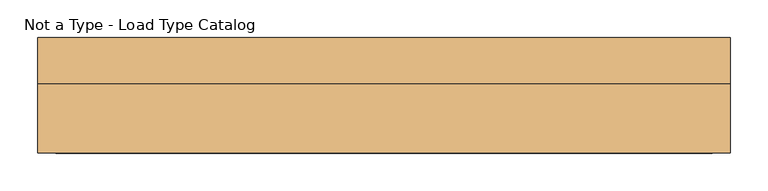
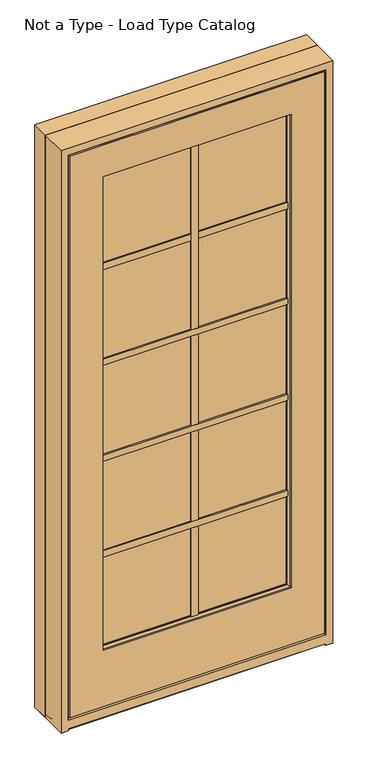
"""IFC4 building model written with IfcOpenShell, lengths in millimetres: door geometry, Not a Type - Load Type Catalog."""

from ifc_helpers import new_model, si_unit, frame, origin, place, context, project, spatial, polyline, outline, extrude, faceted_brep, source, transform, mapped, element, save


def not_a_type_load_type_catalog_02fb778c(model_context):
    return source(origin(), model_context, "Body", "SolidModel", [
        extrude(outline(polyline([(322.2625, -38.4444983), (322.2625, -55.3116858), (-322.2625, -55.3116858), (-322.2625, -38.4444983), (322.2625, -38.4444983)])), frame((0.0, 0.0, 912.1711557), z_axis=(0.0, 0.0, 1.0), x_axis=(1.0, 0.0, 0.0)), (0.0, 0.0, 1.0), 9.525),
        extrude(outline(polyline([(322.2625, -38.4444983), (322.2625, -55.3116858), (-322.2625, -55.3116858), (-322.2625, -38.4444983), (322.2625, -38.4444983)])), frame((0.0, 0.0, 1253.1661557), z_axis=(0.0, 0.0, 1.0), x_axis=(1.0, 0.0, 0.0)), (0.0, 0.0, 1.0), 9.525),
        extrude(outline(polyline([(322.2625, -38.4444983), (322.2625, -55.3116858), (-322.2625, -55.3116858), (-322.2625, -38.4444983), (322.2625, -38.4444983)])), frame((0.0, 0.0, 571.1761557), z_axis=(0.0, 0.0, 1.0), x_axis=(1.0, 0.0, 0.0)), (0.0, 0.0, 1.0), 9.525),
        extrude(outline(polyline([(-4.7625, -55.3116858), (-4.7625, -38.4444983), (4.7625, -38.4444983), (4.7625, -55.3116858), (-4.7625, -55.3116858)])), frame((0.0, 0.0, 234.9436557), z_axis=(0.0, 0.0, 1.0), x_axis=(1.0, 0.0, 0.0)), (0.0, 0.0, 1.0), 1704.975),
        extrude(outline(polyline([(322.2625, -38.4444983), (322.2625, -55.3116858), (-322.2625, -55.3116858), (-322.2625, -38.4444983), (322.2625, -38.4444983)])), frame((0.0, 0.0, 1594.1611557), z_axis=(0.0, 0.0, 1.0), x_axis=(1.0, 0.0, 0.0)), (0.0, 0.0, 1.0), 9.525),
        extrude(outline(polyline([(322.2625, -33.1041483), (322.2625, -37.8666483), (-322.2625, -37.8666483), (-322.2625, -33.1041483), (322.2625, -33.1041483)])), frame((0.0, 0.0, 905.8211557), z_axis=(0.0, 0.0, 1.0), x_axis=(1.0, 0.0, 0.0)), (0.0, 0.0, 1.0), 22.225),
        extrude(outline(polyline([(322.2625, -33.1041483), (322.2625, -37.8666483), (-322.2625, -37.8666483), (-322.2625, -33.1041483), (322.2625, -33.1041483)])), frame((0.0, 0.0, 1246.8161557), z_axis=(0.0, 0.0, 1.0), x_axis=(1.0, 0.0, 0.0)), (0.0, 0.0, 1.0), 22.225),
        extrude(outline(polyline([(322.2625, -33.1041483), (322.2625, -37.8666483), (-322.2625, -37.8666483), (-322.2625, -33.1041483), (322.2625, -33.1041483)])), frame((0.0, 0.0, 564.8261557), z_axis=(0.0, 0.0, 1.0), x_axis=(1.0, 0.0, 0.0)), (0.0, 0.0, 1.0), 22.225),
        extrude(outline(polyline([(-11.1125, -37.8666483), (-11.1125, -33.1041483), (11.1125, -33.1041483), (11.1125, -37.8666483), (-11.1125, -37.8666483)])), frame((0.0, 0.0, 234.9436557), z_axis=(0.0, 0.0, 1.0), x_axis=(1.0, 0.0, 0.0)), (0.0, 0.0, 1.0), 1704.975),
        extrude(outline(polyline([(322.2625, -33.1041483), (322.2625, -37.8666483), (-322.2625, -37.8666483), (-322.2625, -33.1041483), (322.2625, -33.1041483)])), frame((0.0, 0.0, 1587.8111557), z_axis=(0.0, 0.0, 1.0), x_axis=(1.0, 0.0, 0.0)), (0.0, 0.0, 1.0), 22.225),
        extrude(outline(polyline([(-322.2625, -63.0507483), (-322.2625, -58.2882483), (322.2625, -58.2882483), (322.2625, -63.0507483), (-322.2625, -63.0507483)])), frame((0.0, 0.0, 905.8211557), z_axis=(0.0, 0.0, 1.0), x_axis=(1.0, 0.0, 0.0)), (0.0, 0.0, 1.0), 22.225),
        extrude(outline(polyline([(-322.2625, -63.0507483), (-322.2625, -58.2882483), (322.2625, -58.2882483), (322.2625, -63.0507483), (-322.2625, -63.0507483)])), frame((0.0, 0.0, 1246.8161557), z_axis=(0.0, 0.0, 1.0), x_axis=(1.0, 0.0, 0.0)), (0.0, 0.0, 1.0), 22.225),
        extrude(outline(polyline([(-322.2625, -63.0507483), (-322.2625, -58.2882483), (322.2625, -58.2882483), (322.2625, -63.0507483), (-322.2625, -63.0507483)])), frame((0.0, 0.0, 564.8261557), z_axis=(0.0, 0.0, 1.0), x_axis=(1.0, 0.0, 0.0)), (0.0, 0.0, 1.0), 22.225),
        extrude(outline(polyline([(11.1125, -58.2882483), (11.1125, -63.0507483), (-11.1125, -63.0507483), (-11.1125, -58.2882483), (11.1125, -58.2882483)])), frame((0.0, 0.0, 234.9436557), z_axis=(0.0, 0.0, 1.0), x_axis=(1.0, 0.0, 0.0)), (0.0, 0.0, 1.0), 1704.975),
        extrude(outline(polyline([(-322.2625, -63.0507483), (-322.2625, -58.2882483), (322.2625, -58.2882483), (322.2625, -63.0507483), (-322.2625, -63.0507483)])), frame((0.0, 0.0, 1587.8111557), z_axis=(0.0, 0.0, 1.0), x_axis=(1.0, 0.0, 0.0)), (0.0, 0.0, 1.0), 22.225),
        faceted_brep([(438.0336336, -22.7357827, 0.0), (419.3220589, -22.7357827, 0.0), (419.3220589, 28.9559496, 0.0), (424.1734589, 28.9559496, 0.0), (424.1734589, 31.7245496, 0.0), (420.6682589, 31.7245496, 0.0), (420.6682589, 38.0944496, 0.0), (436.7380553, 38.0944496, 0.0), (436.7380553, 31.7245496, 0.0), (434.0032589, 31.7245496, 0.0), (434.0032589, 28.9559496, 0.0), (437.1382607, 28.9559496, 0.0), (437.1382607, 74.5845537, 0.0), (442.7063223, 74.5845537, 0.0), (448.0998286, 76.2, 0.0), (457.2, 76.2, 0.0), (457.2, 15.6623534, 0.0), (438.0336336, 15.6623534, 0.0), (434.0032589, 28.9559496, 2046.9032589), (-434.0032589, 28.9559496, 2046.9032589), (-434.0032589, 28.9559496, 0.0), (-437.1382607, 28.9559496, 0.0), (-437.1382607, 28.9559496, 2050.0382607), (437.1382607, 28.9559496, 2050.0382607), (438.0336336, -22.7357827, 2050.9336336), (438.0336336, 15.6623534, 2050.9336336), (-438.0336336, -22.7357827, 2050.9336336), (-438.0336336, -22.7357827, 0.0), (-419.3220589, -22.7357827, 0.0), (-419.3220589, -22.7357827, 2032.2220589), (419.3220589, -22.7357827, 2032.2220589), (419.3220589, 28.9559496, 2032.2220589), (-419.3220589, 28.9559496, 2032.2220589), (-419.3220589, 28.9559496, 0.0), (-424.1734589, 28.9559496, 0.0), (-424.1734589, 28.9559496, 2037.0734589), (424.1734589, 28.9559496, 2037.0734589), (424.1734589, 31.7245496, 2037.0734589), (-424.1734589, 31.7245496, 2037.0734589), (-424.1734589, 31.7245496, 0.0), (-420.6682589, 31.7245496, 0.0), (-420.6682589, 31.7245496, 2033.5682589), (420.6682589, 31.7245496, 2033.5682589), (420.6682589, 38.0944496, 2033.5682589), (-420.6682589, 38.0944496, 2033.5682589), (-420.6682589, 38.0944496, 0.0), (-436.7380553, 38.0944496, 0.0), (-436.7380553, 38.0944496, 2049.6380553), (436.7380553, 38.0944496, 2049.6380553), (436.7380553, 31.7245496, 2049.6380553), (-436.7380553, 31.7245496, 2049.6380553), (-436.7380553, 31.7245496, 0.0), (-434.0032589, 31.7245496, 0.0), (-434.0032589, 31.7245496, 2046.9032589), (434.0032589, 31.7245496, 2046.9032589), (-438.0336336, 15.6623534, 2050.9336336), (-438.0336336, 15.6623534, 0.0), (-457.2, 15.6623534, 0.0), (-457.2, 76.2, 0.0), (-448.0998286, 76.2, 0.0), (-442.7063223, 74.5845537, 0.0), (-437.1382607, 74.5845537, 0.0), (437.1382607, 74.5845537, 2050.0382607), (-437.1382607, 74.5845537, 2050.0382607), (-442.7063223, 74.5845537, 2055.6063223), (442.7063223, 74.5845537, 2055.6063223), (448.0998286, 76.2, 2060.9998286), (-448.0998286, 76.2, 2060.9998286), (-457.2, 76.2, 2070.1), (457.2, 76.2, 2070.1), (457.2, 15.6623534, 2070.1), (-457.2, 15.6623534, 2070.1)], [[[0, 1, 2, 3, 4, 5, 6, 7, 8, 9, 10, 11, 12, 13, 14, 15, 16, 17]], [[10, 18, 19, 20, 21, 22, 23, 11]], [[24, 0, 17, 25]], [[1, 0, 24, 26, 27, 28, 29, 30]], [[2, 1, 30, 31]], [[3, 2, 31, 32, 33, 34, 35, 36]], [[4, 3, 36, 37]], [[5, 4, 37, 38, 39, 40, 41, 42]], [[6, 5, 42, 43]], [[7, 6, 43, 44, 45, 46, 47, 48]], [[8, 7, 48, 49]], [[9, 8, 49, 50, 51, 52, 53, 54]], [[10, 9, 54, 18]], [[26, 24, 25, 55]], [[30, 29, 32, 31]], [[36, 35, 38, 37]], [[42, 41, 44, 43]], [[48, 47, 50, 49]], [[19, 18, 54, 53]], [[28, 27, 56, 57, 58, 59, 60, 61, 21, 20, 52, 51, 46, 45, 40, 39, 34, 33]], [[27, 26, 55, 56]], [[29, 28, 33, 32]], [[35, 34, 39, 38]], [[41, 40, 45, 44]], [[47, 46, 51, 50]], [[20, 19, 53, 52]], [[13, 12, 62, 63, 61, 60, 64, 65]], [[14, 13, 65, 66]], [[15, 14, 66, 67, 59, 58, 68, 69]], [[16, 15, 69, 70]], [[16, 70, 71, 57, 56, 55, 25, 17]], [[62, 12, 11, 23]], [[65, 64, 67, 66]], [[69, 68, 71, 70]], [[63, 62, 23, 22]], [[64, 60, 59, 67]], [[68, 58, 57, 71]], [[61, 63, 22, 21]]]),
        faceted_brep([(457.2, -76.2, 0.0), (433.3748, -76.2, 0.0), (431.8, -74.6252, 0.0), (431.8, -69.85, 0.0), (-431.8, -69.85, 0.0), (-431.8, -74.6252, 0.0), (-433.3748, -76.2, 0.0), (-457.2, -76.2, 0.0), (-457.2, 15.875, 0.0), (-438.0336336, 15.875, 0.0), (-438.0336336, -27.6736459, 0.0), (-431.8, -27.6736459, 0.0), (-431.8, -36.0981809, 0.0), (431.8, -36.0981809, 0.0), (431.8, -27.6736459, 0.0), (438.0336336, -27.6736459, 0.0), (438.0336336, 15.875, 0.0), (457.2, 15.875, 0.0), (457.2, -76.2, 2070.1), (-457.2, -76.2, 2070.1), (-433.3748, -76.2, 6.35), (433.3748, -76.2, 6.35), (433.3748, -76.2, 2046.2748), (433.3748, -76.2, 37.9833797), (-433.3748, -76.2, 37.9833797), (-433.3748, -76.2, 2046.2748), (431.8, -74.6252, 6.35), (431.8, -74.6252, 2044.7), (431.8, -74.6252, 37.9833797), (431.8, -69.85, 6.35), (431.8, -27.6736459, 2044.7), (431.8, -36.0981809, 37.9833797), (-431.8, -27.6736459, 2044.7), (-438.0336336, -27.6736459, 2050.9336336), (438.0336336, -27.6736459, 2050.9336336), (438.0336336, 15.875, 2050.9336336), (-438.0336336, 15.875, 2050.9336336), (-457.2, 15.875, 2070.1), (457.2, 15.875, 2070.1), (-431.8, -74.6252, 2044.7), (-431.8, -74.6252, 6.35), (-431.8, -74.6252, 37.9833797), (-431.8, -69.85, 6.35), (-431.8, -36.0981809, 37.9833797)], [[[0, 1, 2, 3, 4, 5, 6, 7, 8, 9, 10, 11, 12, 13, 14, 15, 16, 17]], [[1, 0, 18, 19, 7, 6, 20, 21], [22, 23, 24, 25]], [[2, 1, 21, 26]], [[22, 27, 28, 23]], [[3, 2, 26, 29]], [[27, 30, 14, 13, 31, 28]], [[15, 14, 30, 32, 11, 10, 33, 34]], [[16, 15, 34, 35]], [[17, 16, 35, 36, 9, 8, 37, 38]], [[18, 0, 17, 38]], [[22, 25, 39, 27]], [[30, 27, 39, 32]], [[34, 33, 36, 35]], [[19, 18, 38, 37]], [[6, 5, 40, 20]], [[39, 25, 24, 41]], [[5, 4, 42, 40]], [[11, 32, 39, 41, 43, 12]], [[33, 10, 9, 36]], [[37, 8, 7, 19]], [[24, 23, 28, 31, 43, 41]], [[13, 12, 43, 31]], [[4, 3, 29, 42]], [[21, 20, 40, 42, 29, 26]]]),
        faceted_brep([(-428.5257813, -76.2, 44.45), (-428.5257813, -58.2882483, 44.45), (428.5257813, -58.2882483, 44.45), (428.5257813, -76.2, 44.45), (428.5257813, -76.2, 2041.4707813), (-428.5257813, -76.2, 2041.4707813), (316.1538113, -76.2, 1929.0988113), (316.1538113, -76.2, 245.7957962), (-316.1538113, -76.2, 245.7957962), (-316.1538113, -76.2, 1929.0988113), (316.1538113, -70.6590015, 1929.0988113), (316.1538113, -70.6590015, 245.7957962), (311.9390858, -61.5009118, 1924.8840858), (311.9390858, -61.5009118, 249.8192946), (-311.9390858, -61.5009118, 1924.8840858), (-311.9390858, -61.5009118, 249.8192946), (309.6338491, -61.5009118, 1922.5788491), (309.6338491, -61.5009118, 252.399821), (-309.6338491, -61.5009118, 252.399821), (-309.6338491, -61.5009118, 1922.5788491), (309.6338491, -58.2882483, 1922.5788491), (309.6338491, -58.2882483, 252.399821), (-428.5257813, -58.2882483, 2041.4707813), (428.5257813, -58.2882483, 2041.4707813), (-309.6338491, -58.2882483, 1922.5788491), (-309.6338491, -58.2882483, 252.399821), (-316.1538113, -70.6590015, 1929.0988113), (-316.1538113, -70.6590015, 245.7957962)], [[[0, 1, 2, 3]], [[0, 3, 4, 5], [6, 7, 8, 9]], [[6, 10, 11, 7]], [[10, 12, 13, 11]], [[12, 14, 15, 13], [16, 17, 18, 19]], [[16, 20, 21, 17]], [[2, 1, 22, 23], [24, 25, 21, 20]], [[4, 3, 2, 23]], [[6, 9, 26, 10]], [[12, 10, 26, 14]], [[16, 19, 24, 20]], [[5, 4, 23, 22]], [[26, 9, 8, 27]], [[15, 14, 26, 27]], [[24, 19, 18, 25]], [[0, 5, 22, 1]], [[21, 25, 18, 17]], [[27, 11, 13, 15]], [[8, 7, 11, 27]]]),
        faceted_brep([(322.1925, -37.8666483, 237.6138372), (322.1925, -58.2882483, 237.6138372), (322.1925, -58.2882483, 1935.1375), (322.1925, -37.8666483, 1935.1375), (309.6338491, -33.5044413, 250.1724881), (309.6338491, -37.8666483, 250.1724881), (309.6338491, -37.8666483, 1922.5788491), (309.6338491, -33.5044413, 1922.5788491), (316.0485049, -24.7691131, 243.7578323), (312.0412324, -33.5044413, 247.7651048), (312.0412324, -33.5044413, 1924.9862324), (316.0485049, -24.7691131, 1928.9935049), (316.0485049, -22.7636955, 1928.9935049), (316.0485049, -22.7636955, 243.7578323), (428.5257813, -22.7636955, 2041.4707812), (428.5257813, -58.2882483, 2041.4707812), (428.5257813, -58.2882483, 44.425), (428.5257813, -22.7819694, 44.425), (-322.1925, -58.2882483, 1935.1375), (-322.1925, -37.8666483, 1935.1375), (-309.6338491, -37.8666483, 1922.5788491), (-309.6338491, -33.5044413, 1922.5788491), (-312.0412324, -33.5044413, 1924.9862324), (-316.0485049, -24.7691131, 1928.9935049), (-316.0485049, -22.7636955, 1928.9935049), (-428.5257813, -22.7636955, 2041.4707812), (-428.5257813, -58.2882483, 2041.4707812), (-322.1925, -58.2882483, 237.6138372), (-322.1925, -37.8666483, 237.6138372), (-309.6338491, -37.8666483, 250.1724881), (-309.6338491, -33.5044413, 250.1724881), (-312.0412324, -33.5044413, 247.7651048), (-316.0485049, -24.7691131, 243.7578323), (-316.0485049, -22.7636955, 243.7578323), (-428.5257813, -22.7819694, 44.425), (-428.5257813, -58.2882483, 44.425)], [[[0, 1, 2, 3]], [[4, 5, 6, 7]], [[8, 9, 10, 11]], [[8, 11, 12, 13]], [[14, 15, 16, 17]], [[3, 2, 18, 19]], [[7, 6, 20, 21]], [[11, 10, 22, 23]], [[12, 11, 23, 24]], [[15, 14, 25, 26]], [[19, 18, 27, 28]], [[21, 20, 29, 30]], [[23, 22, 31, 32]], [[24, 23, 32, 33]], [[26, 25, 34, 35]], [[17, 16, 35, 34]], [[1, 0, 28, 27]], [[0, 3, 19, 28], [6, 5, 29, 20]], [[5, 4, 30, 29]], [[10, 9, 31, 22], [4, 7, 21, 30]], [[9, 8, 32, 31]], [[8, 13, 33, 32]], [[14, 17, 34, 25], [13, 12, 24, 33]], [[16, 15, 26, 35], [2, 1, 27, 18]]]),
        extrude(outline(polyline([(76.2, 7.4892013), (76.2, 0.0), (-36.2245059, 0.0), (-36.2245059, 33.8823921), (-22.9082944, 33.8823921), (-22.9082944, 18.669647), (28.0736759, 7.4892013), (76.2, 7.4892013)])), frame((-457.2, 0.0, 0.0), z_axis=(1.0, 0.0, 0.0), x_axis=(0.0, 1.0, 0.0)), (0.0, 0.0, 1.0), 914.4),
        extrude(outline(polyline([(322.1925, -37.8666483), (322.1925, -40.8432108), (-322.1925, -40.8432108), (-322.1925, -37.8666483), (322.1925, -37.8666483)])), frame((0.0, 0.0, 239.687121), z_axis=(0.0, 0.0, 1.0), x_axis=(1.0, 0.0, 0.0)), (0.0, 0.0, 1.0), 1695.4880693),
        extrude(outline(polyline([(322.1925, -55.3116858), (322.1925, -58.2882483), (-322.1925, -58.2882483), (-322.1925, -55.3116858), (322.1925, -55.3116858)])), frame((0.0, 0.0, 239.687121), z_axis=(0.0, 0.0, 1.0), x_axis=(1.0, 0.0, 0.0)), (0.0, 0.0, 1.0), 1695.4880693),
    ])


if __name__ == "__main__":
    model = new_model("IFC4")
    model_context = context("Model", 3, world=origin())
    ifc_project = project(units=[si_unit("LENGTHUNIT", "METRE", prefix="MILLI")], contexts=[model_context])
    site = spatial("IfcSite", under=ifc_project)
    building = spatial("IfcBuilding", under=site)
    placement = place(None, origin())
    not_a_type_load_type_catalog_shape = not_a_type_load_type_catalog_02fb778c(model_context)
    element("IfcDoor", 1, ObjectType="Not a Type - Load Type Catalog", at=placement, inside=building, context=model_context, shape_type="MappedRepresentation", body=[
        mapped(not_a_type_load_type_catalog_shape, transform((0.0, 0.0, 0.0), x_axis=(1.0, 0.0, 0.0), y_axis=(0.0, 1.0, 0.0), z_axis=(0.0, 0.0, 1.0))),
    ])
    save(model, "model.ifc")
